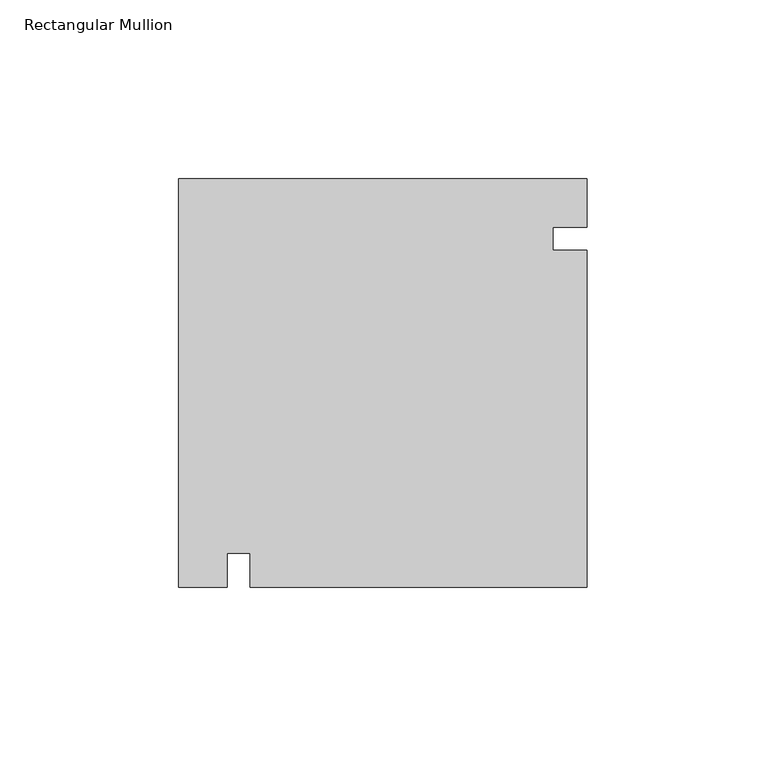
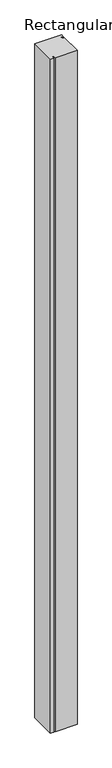
"""IFC4 building model written with IfcOpenShell, lengths in millimetres: member geometry, Rectangular Mullion."""

from ifc_helpers import new_model, si_unit, frame, origin, place, context, project, spatial, polyline, outline, extrude, source, transform, mapped, element, save


def rectangular_mullion_ebf13eed(model_context):
    return source(origin(), model_context, "Body", "SweptSolid", [
        extrude(outline(polyline([(-114.3, -57.15), (-114.3, 57.15), (0.0, 57.15), (0.0, 43.5311892), (-9.525, 43.5311892), (-9.525, 37.0909508), (0.0, 37.0909508), (0.0, -57.15), (-94.2409508, -57.15), (-94.2409508, -47.625), (-100.6811892, -47.625), (-100.6811892, -57.15), (-114.3, -57.15)])), frame((0.0, 0.0, -3048.0), z_axis=(0.0, 0.0, 1.0), x_axis=(1.0, 0.0, 0.0)), (0.0, 0.0, 1.0), 3048.0),
    ])


if __name__ == "__main__":
    model = new_model("IFC4")
    model_context = context("Model", 3, world=origin())
    ifc_project = project(units=[si_unit("LENGTHUNIT", "METRE", prefix="MILLI")], contexts=[model_context])
    site = spatial("IfcSite", under=ifc_project)
    building = spatial("IfcBuilding", under=site)
    placement = place(None, origin())
    rectangular_mullion_shape = rectangular_mullion_ebf13eed(model_context)
    element("IfcMember", 1, ObjectType="Rectangular Mullion", at=placement, inside=building, context=model_context, shape_type="MappedRepresentation", body=[
        mapped(rectangular_mullion_shape, transform((0.0, 0.0, 0.0), x_axis=(1.0, 0.0, 0.0), y_axis=(0.0, 1.0, 0.0), z_axis=(0.0, 0.0, 1.0))),
    ])
    save(model, "model.ifc")
